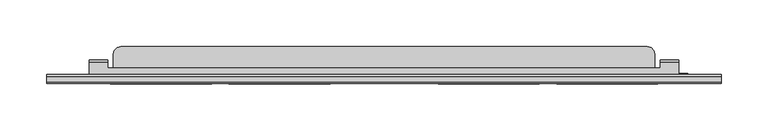
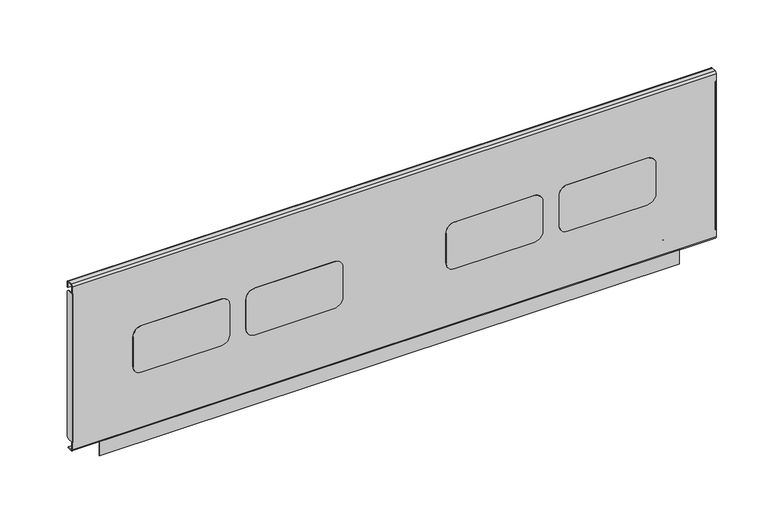
"""IFC4 building model written with IfcOpenShell, lengths in millimetres: furniture geometry."""

from ifc_helpers import new_model, si_unit, point, frame, frame_2d, origin, place, context, project, spatial, polyline, circle_curve, trimmed, segment, composite_curve, outline, extrude, source, transform, mapped, element, save
from ifc_brep_helpers import plane_surface, cylinder_surface, revolved_surface, advanced_brep


def furniture_1d955a96(model_context):
    return source(origin(), model_context, "Body", "SolidModel", [
        advanced_brep(
        [(695.6385851, -189.0734003, 484.7619804), (695.6385851, -188.2141807, 484.7619804), (695.6385851, -188.2141807, 502.7217435), (695.6385851, -190.2544323, 504.7619951), (695.6385851, -205.2802599, 504.7619951), (695.6385851, -205.2802599, 503.9524031), (695.6385851, -190.6453154, 503.9524031), (695.6385851, -189.0734003, 502.380488), (66.3614013, -189.0734003, 484.7619804), (66.3614013, -189.0734003, 502.380488), (66.3614013, -190.6453154, 503.9524031), (66.3614013, -205.2802599, 503.9524031), (66.3614013, -205.2802599, 504.7619951), (66.3614013, -190.2544323, 504.7619951), (66.3614013, -188.2141807, 502.7217435), (66.3614013, -188.2141807, 484.7619804), (675.6385704, -189.0734003, 484.7619804), (675.6385704, -188.2141807, 484.7619804), (86.3614023, -188.2141807, 484.7619804), (86.3614023, -189.0734003, 484.7619804), (675.6385704, -188.2141807, 502.7217435), (86.3614023, -188.2141807, 502.7217435), (675.6385704, -190.2544323, 504.7619951), (86.3614023, -190.2544323, 504.7619951), (675.6385704, -196.3134, 504.7619951), (86.3614023, -196.3134, 504.7619951), (86.3614023, -190.6453154, 503.9524031), (86.3614023, -196.3134, 503.9524031), (675.6385704, -196.3134, 503.9524031), (675.6385704, -190.6453154, 503.9524031), (675.6385704, -189.0734003, 502.380488), (86.3614023, -189.0734003, 502.380488)],
        [
            (0, 1),
            (1, 2),
            (2, 3, circle_curve(frame((695.6385851, -190.2544323, 502.7217435), z_axis=(1.0, 0.0, 0.0), x_axis=(0.0, 1.0, 0.0)), 2.0402516)),
            (3, 4),
            (4, 5),
            (5, 6),
            (6, 7, circle_curve(frame((695.6385851, -190.6453154, 502.380488), z_axis=(-1.0, 0.0, 0.0), x_axis=(0.0, 1.0, 0.0)), 1.571915)),
            (7, 0),
            (8, 9),
            (9, 10, circle_curve(frame((66.3614013, -190.6453154, 502.380488), z_axis=(1.0, 0.0, 0.0), x_axis=(0.0, 1.0, 0.0)), 1.571915)),
            (10, 11),
            (11, 12),
            (12, 13),
            (13, 14, circle_curve(frame((66.3614013, -190.2544323, 502.7217435), z_axis=(-1.0, 0.0, 0.0), x_axis=(0.0, 1.0, 0.0)), 2.0402516)),
            (14, 15),
            (15, 8),
            (0, 16),
            (16, 17),
            (17, 1),
            (15, 18),
            (18, 19),
            (19, 8),
            (17, 20),
            (20, 2),
            (14, 21),
            (21, 18),
            (20, 22, circle_curve(frame((675.6385704, -190.2544323, 502.7217435), z_axis=(1.0, 0.0, 0.0), x_axis=(0.0, 1.0, 0.0)), 2.0402516)),
            (22, 3),
            (13, 23),
            (23, 21, circle_curve(frame((86.3614023, -190.2544323, 502.7217435), z_axis=(-1.0, 0.0, 0.0), x_axis=(0.0, 1.0, 0.0)), 2.0402516)),
            (22, 24),
            (24, 25),
            (25, 23),
            (12, 4),
            (11, 5),
            (10, 26),
            (26, 27),
            (27, 28),
            (28, 29),
            (29, 6),
            (29, 30, circle_curve(frame((675.6385704, -190.6453154, 502.380488), z_axis=(-1.0, 0.0, 0.0), x_axis=(0.0, 1.0, 0.0)), 1.571915)),
            (30, 7),
            (9, 31),
            (31, 26, circle_curve(frame((86.3614023, -190.6453154, 502.380488), z_axis=(1.0, 0.0, 0.0), x_axis=(0.0, 1.0, 0.0)), 1.571915)),
            (30, 16),
            (19, 31),
            (27, 25),
            (24, 28),
        ],
        [
            plane_surface(frame((695.6385851, -189.0734003, 484.7619804), z_axis=(1.0, 0.0, 0.0), x_axis=(0.0, 1.0, 0.0))),
            plane_surface(frame((66.3614013, -189.0734003, 484.7619804), z_axis=(-1.0, 0.0, 0.0), x_axis=(0.0, -1.0, 0.0))),
            plane_surface(frame((695.6385851, -189.0734003, 484.7619804), z_axis=(0.0, 0.0, -1.0), x_axis=(-1.0, 0.0, 0.0))),
            plane_surface(frame((695.6385851, -188.2141807, 484.7619804), z_axis=(0.0, 1.0, 0.0), x_axis=(-1.0, 0.0, 0.0))),
            cylinder_surface(frame((66.3614013, -190.2544323, 502.7217435), z_axis=(1.0, 0.0, 0.0), x_axis=(0.0, 1.0, 0.0)), 2.0402516),
            plane_surface(frame((695.6385851, -190.2544323, 504.7619951), z_axis=(0.0, 0.0, 1.0), x_axis=(-1.0, 0.0, 0.0))),
            plane_surface(frame((695.6385851, -205.2802599, 504.7619951), z_axis=(0.0, -1.0, 0.0), x_axis=(-1.0, 0.0, 0.0))),
            plane_surface(frame((695.6385851, -205.2802599, 503.9524031), z_axis=(0.0, 0.0, -1.0), x_axis=(-1.0, 0.0, 0.0))),
            revolved_surface(polyline([(675.6385704, -189.0734004, 502.380488), (695.6385851, -189.0734004, 502.380488)]), (66.3614013, -190.6453154, 502.380488), (-1.0, 0.0, 0.0)),
            revolved_surface(polyline([(66.3614013, -189.0734004, 502.380488), (86.3614023, -189.0734004, 502.380488)]), (66.3614013, -190.6453154, 502.380488), (-1.0, 0.0, 0.0)),
            plane_surface(frame((695.6385851, -189.0734003, 502.380488), z_axis=(0.0, -1.0, 0.0), x_axis=(-1.0, 0.0, 0.0))),
            plane_surface(frame((86.3614023, -196.3134, 504.7619951), z_axis=(0.0, 1.0, 0.0), x_axis=(0.0, 0.0, -1.0))),
            plane_surface(frame((675.6385704, -196.3134, 504.7619951), z_axis=(-1.0, 0.0, 0.0), x_axis=(0.0, 0.0, -1.0))),
            plane_surface(frame((86.3614023, -188.2141807, 504.7619951), z_axis=(1.0, 0.0, 0.0), x_axis=(0.0, 0.0, -1.0))),
        ],
        [
            (0, [[1, 2, 3, 4, 5, 6, 7, 8]]),
            (1, [[9, 10, 11, 12, 13, 14, 15, 16]]),
            (2, [[-1, 17, 18, 19]]),
            (2, [[-16, 20, 21, 22]]),
            (3, [[-2, -19, 23, 24]]),
            (3, [[-15, 25, 26, -20]]),
            (4, [[-3, -24, 27, 28]]),
            (4, [[-14, 29, 30, -25]]),
            (5, [[-4, -28, 31, 32, 33, -29, -13, 34]]),
            (6, [[-5, -34, -12, 35]]),
            (7, [[-6, -35, -11, 36, 37, 38, 39, 40]]),
            (8, [[-7, -40, 41, 42]]),
            (9, [[-10, 43, 44, -36]]),
            (10, [[-8, -42, 45, -17]]),
            (10, [[-9, -22, 46, -43]]),
            (11, [[47, -32, 48, -38]]),
            (12, [[-48, -31, -27, -23, -18, -45, -41, -39]]),
            (13, [[-47, -37, -44, -46, -21, -26, -30, -33]]),
        ],
    ),
        advanced_brep(
        [(704.788608, -202.8234, 481.0000008), (704.788608, -202.8234, 499.2323507), (704.788608, -202.3166887, 500.0149173), (704.788608, -202.3166887, 500.9515261), (704.788608, -203.7334, 499.164291), (704.788608, -203.7334, 481.0000008), (57.1999969, -203.7334, 481.0000008), (57.1999969, -203.7334, 499.164291), (57.1999969, -203.20254, 500.4554821), (57.1999969, -203.20254, 481.0000008), (66.3614013, -202.8234, 481.0000008), (66.3614013, -202.8234, 499.2323507), (66.3614013, -201.9657451, 500.0900056), (693.6385846, -201.9657451, 500.0900056), (693.6385846, -202.3166887, 500.0149173), (92.2113995, -181.7333994, 500.0900056), (93.2832, -177.7334005, 500.0900056), (96.2114006, -174.8051976, 500.0900056), (100.2114018, -173.7333994, 500.0900056), (661.8721778, -173.7333994, 500.0900056), (665.8721789, -174.8051976, 500.0900056), (668.8003795, -177.7334005, 500.0900056), (669.87218, -181.7333994, 500.0900056), (669.87218, -196.3134, 500.0900056), (693.6385846, -196.3134, 500.0900056), (66.3614013, -196.3134, 500.0900056), (92.2113995, -196.3134, 500.0900056), (100.2114018, -173.7333994, 500.9999791), (661.8721778, -173.7333994, 500.9999791), (93.2832, -177.7334005, 500.9999791), (92.2113995, -181.7333994, 500.9999791), (92.2113995, -196.3134, 500.9999791), (66.3614013, -196.3134, 500.9999791), (66.3614013, -201.8977118, 500.9999791), (693.6385846, -201.8977118, 500.9999791), (693.6385846, -196.3134, 500.9999791), (669.87218, -196.3134, 500.9999791), (669.87218, -181.7333994, 500.9999791), (668.8003795, -177.7334005, 500.9999791), (665.8721789, -174.8051976, 500.9999791), (96.2114006, -174.8051976, 500.9999791), (693.6385846, -202.3166887, 500.9515261), (66.3614013, -203.20254, 500.4554821), (66.3614013, -203.20254, 481.0000008)],
        [
            (0, 1),
            (1, 2, circle_curve(frame((704.788608, -201.9657451, 499.2323507), z_axis=(-1.0, 0.0, 0.0), x_axis=(0.0, 1.0, 0.0)), 0.8576549)),
            (2, 3),
            (3, 4, circle_curve(frame((704.788608, -201.8977118, 499.164291), z_axis=(1.0, 0.0, 0.0), x_axis=(0.0, 1.0, 0.0)), 1.8356882)),
            (4, 5),
            (5, 0),
            (6, 7),
            (7, 8, circle_curve(frame((57.1999969, -201.8977118, 499.164291), z_axis=(-1.0, 0.0, 0.0), x_axis=(0.0, 1.0, 0.0)), 1.8356882)),
            (8, 9),
            (9, 6),
            (0, 10),
            (10, 11),
            (11, 1),
            (11, 12, circle_curve(frame((66.3614013, -201.9657451, 499.2323507), z_axis=(-1.0, 0.0, 0.0), x_axis=(0.0, 1.0, 0.0)), 0.8576549)),
            (12, 13),
            (13, 14, circle_curve(frame((693.6385846, -201.9657451, 499.2323507), z_axis=(1.0, 0.0, 0.0), x_axis=(0.0, 1.0, 0.0)), 0.8576549)),
            (14, 2),
            (15, 16),
            (16, 17),
            (17, 18),
            (18, 19),
            (19, 20),
            (20, 21),
            (21, 22),
            (22, 23),
            (23, 24),
            (24, 13),
            (12, 25),
            (25, 26),
            (26, 15),
            (18, 27),
            (27, 28),
            (28, 19),
            (29, 30),
            (30, 31),
            (31, 32),
            (32, 33),
            (33, 34),
            (34, 35),
            (35, 36),
            (36, 37),
            (37, 38),
            (38, 39),
            (39, 28),
            (27, 40),
            (40, 29),
            (7, 4),
            (3, 41),
            (41, 34, circle_curve(frame((693.6385846, -201.8977118, 499.164291), z_axis=(-1.0, 0.0, 0.0), x_axis=(0.0, 1.0, 0.0)), 1.8356882)),
            (33, 42, circle_curve(frame((66.3614013, -201.8977118, 499.164291), z_axis=(1.0, 0.0, 0.0), x_axis=(0.0, 1.0, 0.0)), 1.8356882)),
            (42, 8),
            (6, 5),
            (9, 43),
            (43, 10),
            (15, 30),
            (29, 16),
            (40, 17),
            (42, 43),
            (32, 25),
            (31, 26),
            (21, 38),
            (37, 22),
            (20, 39),
            (14, 41),
            (24, 35),
            (23, 36),
        ],
        [
            plane_surface(frame((704.788608, -202.8234, 494.4355179), z_axis=(1.0, 0.0, 0.0), x_axis=(0.0, 0.0, 1.0))),
            plane_surface(frame((57.1999969, -202.8234, 494.4355179), z_axis=(-1.0, 0.0, 0.0), x_axis=(0.0, 0.0, -1.0))),
            plane_surface(frame((704.788608, -202.8234, 481.0000008), z_axis=(0.0, 1.0, 0.0), x_axis=(-1.0, 0.0, 0.0))),
            revolved_surface(polyline([(66.3614013, -201.1080902, 499.2323507), (704.788608, -201.1080902, 499.2323507)]), (57.1999969, -201.9657451, 499.2323507), (-1.0, 0.0, 0.0)),
            plane_surface(frame((704.788608, -201.9657451, 500.0900056), z_axis=(0.0, 0.0, -1.0), x_axis=(-1.0, 0.0, 0.0))),
            plane_surface(frame((704.788608, -173.7333994, 500.0900056), z_axis=(0.0, 1.0, 0.0), x_axis=(-1.0, 0.0, 0.0))),
            plane_surface(frame((704.788608, -173.7333994, 500.9999791), z_axis=(0.0, 0.0, 1.0), x_axis=(-1.0, 0.0, 0.0))),
            cylinder_surface(frame((57.1999969, -201.8977118, 499.164291), z_axis=(1.0, 0.0, 0.0), x_axis=(0.0, 1.0, 0.0)), 1.8356882),
            plane_surface(frame((704.788608, -203.7334, 499.164291), z_axis=(0.0, -1.0, 0.0), x_axis=(-1.0, 0.0, 0.0))),
            plane_surface(frame((704.788608, -203.7334, 481.0000008), z_axis=(0.0, 0.0, -1.0), x_axis=(-1.0, 0.0, 0.0))),
            plane_surface(frame((92.2113995, -181.7333994, 533.1392388), z_axis=(-0.9659255828324517, 0.2588199536932742, 0.0), x_axis=(0.0, 0.0, -1.0))),
            plane_surface(frame((93.2832, -177.7334005, 533.1392388), z_axis=(-0.707107055381215, 0.7071065069917737, 0.0), x_axis=(0.0, 0.0, -1.0))),
            plane_surface(frame((96.2114006, -174.8051976, 533.1392388), z_axis=(-0.25881930494190625, 0.9659257566652774, 0.0), x_axis=(0.0, 0.0, -1.0))),
            plane_surface(frame((57.2114011, -203.20254, 533.1392388), z_axis=(0.0, 1.0, 0.0), x_axis=(0.0, 0.0, -1.0))),
            plane_surface(frame((66.3614013, -203.20254, 533.1392388), z_axis=(-1.0, 0.0, 0.0), x_axis=(0.0, 0.0, -1.0))),
            plane_surface(frame((66.3614013, -196.3134, 533.1392388), z_axis=(0.0, 1.0, 0.0), x_axis=(0.0, 0.0, -1.0))),
            plane_surface(frame((92.2113995, -196.3134, 533.1392388), z_axis=(-1.0, 0.0, 0.0), x_axis=(0.0, 0.0, -1.0))),
            plane_surface(frame((668.8003795, -177.7334005, 531.699196), z_axis=(0.9659255828324518, 0.258819953693274, 0.0), x_axis=(0.0, 0.0, -1.0))),
            plane_surface(frame((665.8721789, -174.8051976, 531.699196), z_axis=(0.707107055381215, 0.7071065069917737, 0.0), x_axis=(0.0, 0.0, -1.0))),
            plane_surface(frame((661.8721778, -173.7333994, 531.699196), z_axis=(0.25881930494190625, 0.9659257566652774, 0.0), x_axis=(0.0, 0.0, -1.0))),
            plane_surface(frame((693.6385846, -202.3166887, 531.699196), z_axis=(0.0, 1.0, 0.0), x_axis=(0.0, 0.0, -1.0))),
            plane_surface(frame((693.6385846, -196.3134, 531.699196), z_axis=(1.0, 0.0, 0.0), x_axis=(0.0, 0.0, -1.0))),
            plane_surface(frame((669.87218, -196.3134, 531.699196), z_axis=(0.0, 1.0, 0.0), x_axis=(0.0, 0.0, -1.0))),
            plane_surface(frame((669.87218, -181.7333994, 531.699196), z_axis=(1.0, 0.0, 0.0), x_axis=(0.0, 0.0, -1.0))),
        ],
        [
            (0, [[1, 2, 3, 4, 5, 6]]),
            (1, [[7, 8, 9, 10]]),
            (2, [[-1, 11, 12, 13]]),
            (3, [[-13, 14, 15, 16, 17, -2]]),
            (4, [[18, 19, 20, 21, 22, 23, 24, 25, 26, 27, -15, 28, 29, 30]]),
            (5, [[31, 32, 33, -21]]),
            (6, [[34, 35, 36, 37, 38, 39, 40, 41, 42, 43, 44, -32, 45, 46]]),
            (7, [[47, -4, 48, 49, -38, 50, 51, -8]]),
            (8, [[-5, -47, -7, 52]]),
            (9, [[-6, -52, -10, 53, 54, -11]]),
            (10, [[55, -34, 56, -18]]),
            (11, [[-56, -46, 57, -19]]),
            (12, [[-57, -45, -31, -20]]),
            (13, [[58, -53, -9, -51]]),
            (14, [[-58, -50, -37, 59, -28, -14, -12, -54]]),
            (15, [[-59, -36, 60, -29]]),
            (16, [[-55, -30, -60, -35]]),
            (17, [[61, -42, 62, -24]]),
            (18, [[-61, -23, 63, -43]]),
            (19, [[-63, -22, -33, -44]]),
            (20, [[64, -48, -3, -17]]),
            (21, [[-64, -16, -27, 65, -39, -49]]),
            (22, [[-65, -26, 66, -40]]),
            (23, [[-66, -25, -62, -41]]),
        ],
    ),
        extrude(outline(composite_curve([segment(polyline([(616.0389877, 89.158802), (580.6970512, 89.158802)]), True, "CONTINUOUS"), segment(trimmed(circle_curve(frame_2d((580.6970512, 98.694023)), 9.535221), [point((580.6970512, 89.158802))], [point((571.1618302, 98.694023))], False, "CARTESIAN"), True, "CONTINUOUS"), segment(polyline([(571.1618302, 98.694023), (571.1618302, 187.3669938)]), True, "CONTINUOUS"), segment(trimmed(circle_curve(frame_2d((580.9036446, 187.3669938)), 9.7418143), [point((571.1618302, 187.3669938))], [point((580.9036446, 197.1088081))], False, "CARTESIAN"), True, "CONTINUOUS"), segment(polyline([(580.9036446, 197.1088081), (616.7203082, 197.1088081)]), True, "CONTINUOUS"), segment(trimmed(circle_curve(frame_2d((616.7203082, 187.8032762)), 9.3055319), [point((616.7203082, 197.1088081))], [point((626.0258401, 187.8032762))], False, "CARTESIAN"), True, "CONTINUOUS"), segment(polyline([(626.0258401, 187.8032762), (626.0258401, 99.1456544)]), True, "CONTINUOUS"), segment(trimmed(circle_curve(frame_2d((616.0389877, 99.1456544)), 9.9868524), [point((626.0258401, 99.1456544))], [point((616.0389877, 89.158802))], False, "CARTESIAN"), True, "CONTINUOUS")], self_intersect=False)), frame((0.0, -213.6020823, 0.0), z_axis=(0.0, 1.0, 0.0), x_axis=(0.0, 0.0, 1.0)), (0.0, 0.0, 1.0), 0.2886826),
        extrude(outline(composite_curve([segment(polyline([(616.0389877, 215.4476051), (580.6970512, 215.4476051)]), True, "CONTINUOUS"), segment(trimmed(circle_curve(frame_2d((580.6970512, 224.9828261)), 9.535221), [point((580.6970512, 215.4476051))], [point((571.1618302, 224.9828261))], False, "CARTESIAN"), True, "CONTINUOUS"), segment(polyline([(571.1618302, 224.9828261), (571.1618302, 313.6557787)]), True, "CONTINUOUS"), segment(trimmed(circle_curve(frame_2d((580.9036446, 313.6557787)), 9.7418143), [point((571.1618302, 313.6557787))], [point((580.9036446, 323.397593))], False, "CARTESIAN"), True, "CONTINUOUS"), segment(polyline([(580.9036446, 323.397593), (616.7203082, 323.397593)]), True, "CONTINUOUS"), segment(trimmed(circle_curve(frame_2d((616.7203082, 314.0920611)), 9.3055319), [point((616.7203082, 323.397593))], [point((626.0258401, 314.0920611))], False, "CARTESIAN"), True, "CONTINUOUS"), segment(polyline([(626.0258401, 314.0920611), (626.0258401, 225.4344575)]), True, "CONTINUOUS"), segment(trimmed(circle_curve(frame_2d((616.0389877, 225.4344575)), 9.9868524), [point((626.0258401, 225.4344575))], [point((616.0389877, 215.4476051))], False, "CARTESIAN"), True, "CONTINUOUS")], self_intersect=False)), frame((0.0, -213.6020823, 0.0), z_axis=(0.0, 1.0, 0.0), x_axis=(0.0, 0.0, 1.0)), (0.0, 0.0, 1.0), 0.2886826),
        extrude(outline(composite_curve([segment(polyline([(616.0389877, 438.7851962), (580.6970512, 438.7851962)]), True, "CONTINUOUS"), segment(trimmed(circle_curve(frame_2d((580.6970512, 448.3204172)), 9.535221), [point((580.6970512, 438.7851962))], [point((571.1618302, 448.3204172))], False, "CARTESIAN"), True, "CONTINUOUS"), segment(polyline([(571.1618302, 448.3204172), (571.1618302, 536.9933698)]), True, "CONTINUOUS"), segment(trimmed(circle_curve(frame_2d((580.9036446, 536.9933698)), 9.7418143), [point((571.1618302, 536.9933698))], [point((580.9036446, 546.7351841))], False, "CARTESIAN"), True, "CONTINUOUS"), segment(polyline([(580.9036446, 546.7351841), (616.7203082, 546.7351841)]), True, "CONTINUOUS"), segment(trimmed(circle_curve(frame_2d((616.7203082, 537.4296522)), 9.3055319), [point((616.7203082, 546.7351841))], [point((626.0258401, 537.4296522))], False, "CARTESIAN"), True, "CONTINUOUS"), segment(polyline([(626.0258401, 537.4296522), (626.0258401, 448.7720486)]), True, "CONTINUOUS"), segment(trimmed(circle_curve(frame_2d((616.0389877, 448.7720486)), 9.9868524), [point((626.0258401, 448.7720486))], [point((616.0389877, 438.7851962))], False, "CARTESIAN"), True, "CONTINUOUS")], self_intersect=False)), frame((0.0, -213.6020823, 0.0), z_axis=(0.0, 1.0, 0.0), x_axis=(0.0, 0.0, 1.0)), (0.0, 0.0, 1.0), 0.2886826),
        extrude(outline(composite_curve([segment(polyline([(616.0389877, 565.0739811), (580.6970512, 565.0739811)]), True, "CONTINUOUS"), segment(trimmed(circle_curve(frame_2d((580.6970512, 574.6092021)), 9.535221), [point((580.6970512, 565.0739811))], [point((571.1618302, 574.6092021))], False, "CARTESIAN"), True, "CONTINUOUS"), segment(polyline([(571.1618302, 574.6092021), (571.1618302, 663.2821729)]), True, "CONTINUOUS"), segment(trimmed(circle_curve(frame_2d((580.9036446, 663.2821729)), 9.7418143), [point((571.1618302, 663.2821729))], [point((580.9036446, 673.0239872))], False, "CARTESIAN"), True, "CONTINUOUS"), segment(polyline([(580.9036446, 673.0239872), (616.7203082, 673.0239872)]), True, "CONTINUOUS"), segment(trimmed(circle_curve(frame_2d((616.7203082, 663.7184553)), 9.3055319), [point((616.7203082, 673.0239872))], [point((626.0258401, 663.7184553))], False, "CARTESIAN"), True, "CONTINUOUS"), segment(polyline([(626.0258401, 663.7184553), (626.0258401, 575.0608335)]), True, "CONTINUOUS"), segment(trimmed(circle_curve(frame_2d((616.0389877, 575.0608335)), 9.9868524), [point((626.0258401, 575.0608335))], [point((616.0389877, 565.0739811))], False, "CARTESIAN"), True, "CONTINUOUS")], self_intersect=False)), frame((0.0, -213.6020823, 0.0), z_axis=(0.0, 1.0, 0.0), x_axis=(0.0, 0.0, 1.0)), (0.0, 0.0, 1.0), 0.2886826),
        extrude(outline(composite_curve([segment(trimmed(circle_curve(frame_2d((-206.9291712, 686.8262094)), 3.1957713), [point((-206.9291712, 690.0219807))], [point((-203.7334, 686.8262094))], False, "CARTESIAN"), True, "CONTINUOUS"), segment(polyline([(-203.7334, 686.8262094), (-203.7334, 518.3179711)]), True, "CONTINUOUS"), segment(trimmed(circle_curve(frame_2d((-207.0693602, 518.3179711)), 3.3359602), [point((-203.7334, 518.3179711))], [point((-207.0693602, 514.9820108))], False, "CARTESIAN"), True, "CONTINUOUS"), segment(polyline([(-207.0693602, 514.9820108), (-213.3133997, 514.9820108), (-213.3133997, 690.0219807), (-206.9291712, 690.0219807)]), True, "CONTINUOUS")], self_intersect=False)), frame((739.8225161, 0.0, 0.0), z_axis=(1.0, 0.0, 0.0), x_axis=(0.0, 1.0, 0.0)), (0.0, 0.0, 1.0), 0.8160839),
        extrude(outline(composite_curve([segment(trimmed(circle_curve(frame_2d((-206.9291712, 686.8262094)), 3.1957713), [point((-206.9291712, 690.0219807))], [point((-203.7334, 686.8262094))], False, "CARTESIAN"), True, "CONTINUOUS"), segment(polyline([(-203.7334, 686.8262094), (-203.7334, 518.3179711)]), True, "CONTINUOUS"), segment(trimmed(circle_curve(frame_2d((-207.0693602, 518.3179711)), 3.3359602), [point((-203.7334, 518.3179711))], [point((-207.0693602, 514.9820108))], False, "CARTESIAN"), True, "CONTINUOUS"), segment(polyline([(-207.0693602, 514.9820108), (-213.3133997, 514.9820108), (-213.3133997, 690.0219807), (-206.9291712, 690.0219807)]), True, "CONTINUOUS")], self_intersect=False)), frame((21.3614, 0.0, 0.0), z_axis=(1.0, 0.0, 0.0), x_axis=(0.0, 1.0, 0.0)), (0.0, 0.0, 1.0), 0.8160953),
        extrude(outline(composite_curve([segment(trimmed(circle_curve(frame_2d((-211.2812247, 505.9349516)), 1.1729565), [point((-212.4541812, 505.9349516))], [point((-211.2812247, 504.7619951))], True, "CARTESIAN"), True, "CONTINUOUS"), segment(polyline([(-211.2812247, 504.7619951), (-205.2802599, 504.7619951), (-205.2802599, 503.9524031), (-211.0210029, 503.9524031)]), True, "CONTINUOUS"), segment(trimmed(circle_curve(frame_2d((-211.0210029, 506.2447998)), 2.2923967), [point((-211.0210029, 503.9524031))], [point((-213.3133997, 506.2447998))], False, "CARTESIAN"), True, "CONTINUOUS"), segment(polyline([(-213.3133997, 506.2447998), (-213.3133997, 698.9356498)]), True, "CONTINUOUS"), segment(trimmed(circle_curve(frame_2d((-211.2470704, 698.9356498)), 2.0663293), [point((-213.3133997, 698.9356498))], [point((-211.2470704, 701.0019791))], False, "CARTESIAN"), True, "CONTINUOUS"), segment(polyline([(-211.2470704, 701.0019791), (-205.8421502, 701.0019791)]), True, "CONTINUOUS"), segment(trimmed(circle_curve(frame_2d((-205.8421502, 698.8591335)), 2.1428456), [point((-205.8421502, 701.0019791))], [point((-203.6993046, 698.8591335))], False, "CARTESIAN"), True, "CONTINUOUS"), segment(polyline([(-203.6993046, 698.8591335), (-203.6993046, 693.0032856), (-204.4934, 693.0032856), (-204.4934, 698.9068456)]), True, "CONTINUOUS"), segment(trimmed(circle_curve(frame_2d((-205.8285508, 698.9068456)), 1.3351508), [point((-204.4934, 698.9068456))], [point((-205.8285508, 700.2419964))], True, "CARTESIAN"), True, "CONTINUOUS"), segment(polyline([(-205.8285508, 700.2419964), (-211.1847197, 700.2419964)]), True, "CONTINUOUS"), segment(trimmed(circle_curve(frame_2d((-211.1847197, 698.9725349)), 1.2694615), [point((-211.1847197, 700.2419964))], [point((-212.4541812, 698.9725349))], True, "CARTESIAN"), True, "CONTINUOUS"), segment(polyline([(-212.4541812, 698.9725349), (-212.4541812, 505.9349516)]), True, "CONTINUOUS")], self_intersect=False)), frame((21.3614, 0.0, 0.0), z_axis=(1.0, 0.0, 0.0), x_axis=(0.0, 1.0, 0.0)), (0.0, 0.0, 1.0), 719.2772),
    ])


if __name__ == "__main__":
    model = new_model("IFC4")
    model_context = context("Model", 3, world=origin())
    ifc_project = project(units=[si_unit("LENGTHUNIT", "METRE", prefix="MILLI")], contexts=[model_context])
    site = spatial("IfcSite", under=ifc_project)
    building = spatial("IfcBuilding", under=site)
    placement = place(None, origin())
    furniture_shape = furniture_1d955a96(model_context)
    element("IfcFurniture", 1, at=placement, inside=building, context=model_context, shape_type="MappedRepresentation", body=[
        mapped(furniture_shape, transform((0.0, 0.0, 0.0), x_axis=(1.0, 0.0, 0.0), y_axis=(0.0, 1.0, 0.0), z_axis=(0.0, 0.0, 1.0))),
    ])
    save(model, "model.ifc")
